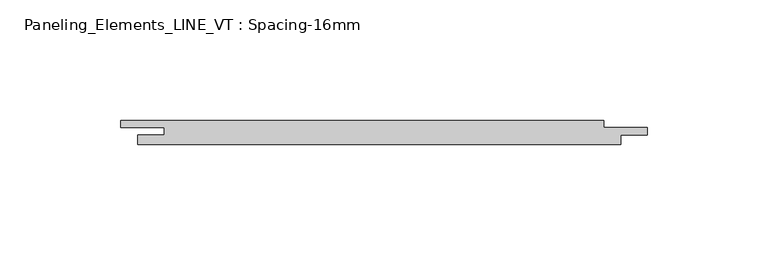
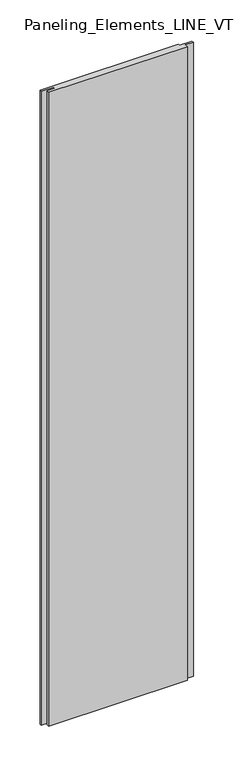
"""IFC4 building model written with IfcOpenShell, lengths in millimetres: plate geometry, Paneling_Elements_LINE_VT : Spacing-16mm."""

import ifcopenshell
import ifcopenshell.guid

model = None  # the IFC model being written
_history = None  # IfcOwnerHistory: only IFC2X3 demands one
_inside = {}  # id of a spatial element -> (the spatial element, [elements in it])
_under = {}  # id of a project, library or spatial element -> (it, [spatial elements below it])
_declared = {}  # id of a project -> (the project, [libraries it declares])
_typed = {}  # id of a type object -> (the type object, [elements of that type])
_made_of = {}  # id of a material, layer set ... -> (it, [elements and type objects made of it])


def new_model(schema):
    """Start an empty IFC model of exactly this schema.

    Asked for "IFC4X3", IfcOpenShell would pick the latest addendum, in which some entities
    have other attributes; the version numbers below select the first issue.
    IFC2X3 requires an IfcOwnerHistory on every rooted entity: one is made here for all.
    """
    global model, _history
    if schema == "IFC4X3":
        model = ifcopenshell.file(schema_version=(4, 3, 0, 0))
    else:
        model = ifcopenshell.file(schema=schema)
    _inside.clear()
    _under.clear()
    _declared.clear()
    _typed.clear()
    _made_of.clear()
    _history = None
    if model.schema == "IFC2X3":
        org = make("IfcOrganization", Name="unknown")
        user = make(
            "IfcPersonAndOrganization",
            ThePerson=make("IfcPerson", FamilyName="unknown"),
            TheOrganization=org,
        )
        app = make(
            "IfcApplication",
            ApplicationDeveloper=org,
            Version="unknown",
            ApplicationFullName="unknown",
            ApplicationIdentifier="unknown",
        )
        _history = make(
            "IfcOwnerHistory",
            OwningUser=user,
            OwningApplication=app,
            ChangeAction="ADDED",
            CreationDate=0,
        )
    return model


def make(cls, **values):
    """One entity of the class cls with the attributes given. An attribute that is None is left unset."""
    return model.create_entity(
        cls, **{name: value for name, value in values.items() if value is not None}
    )


def rooted(cls, **values):
    """An entity with a GlobalId (a new one), such as an element, a storey or a relation."""
    return make(cls, GlobalId=ifcopenshell.guid.new(), OwnerHistory=_history, **values)


def si_unit(unit_type, name, prefix=None):
    """IfcSIUnit, for example si_unit("LENGTHUNIT", "METRE", prefix="MILLI")."""
    return make("IfcSIUnit", UnitType=unit_type, Prefix=prefix, Name=name)


def assignment(units):
    """IfcUnitAssignment: the units of a project."""
    return None if units is None else make("IfcUnitAssignment", Units=units)


def point(xyz):
    """IfcCartesianPoint."""
    return None if xyz is None else make("IfcCartesianPoint", Coordinates=xyz)


def direction(xyz):
    """IfcDirection."""
    return None if xyz is None else make("IfcDirection", DirectionRatios=xyz)


def frame(location, z_axis=None, x_axis=None):
    """IfcAxis2Placement3D, a coordinate frame: its origin and axes. An axis left out is left unset."""
    return make(
        "IfcAxis2Placement3D",
        Location=point(location),
        Axis=direction(z_axis),
        RefDirection=direction(x_axis),
    )


def origin():
    """The frame at (0, 0, 0) with its axes left unset."""
    return frame((0.0, 0.0, 0.0))


def origin_with_axes():
    """The frame at (0, 0, 0) with the z axis (0, 0, 1) and the x axis (1, 0, 0) written out."""
    return frame((0.0, 0.0, 0.0), z_axis=(0.0, 0.0, 1.0), x_axis=(1.0, 0.0, 0.0))


def place(relative_to, where):
    """IfcLocalPlacement: puts the frame where relative to a parent placement (None: the world)."""
    return make(
        "IfcLocalPlacement", PlacementRelTo=relative_to, RelativePlacement=where
    )


def context(
    kind, dimensions, precision=None, world=None, true_north=None, identifier=None
):
    """IfcGeometricRepresentationContext, for example the 3D "Model" context."""
    return make(
        "IfcGeometricRepresentationContext",
        ContextIdentifier=identifier,
        ContextType=kind,
        CoordinateSpaceDimension=dimensions,
        Precision=precision,
        WorldCoordinateSystem=world,
        TrueNorth=true_north,
    )


def project(units=None, contexts=None):
    """IfcProject with its units and contexts."""
    return rooted(
        "IfcProject",
        Name="project",
        RepresentationContexts=contexts,
        UnitsInContext=assignment(units),
    )


def spatial(cls, under=None, at=None, **own):
    """A site, building, storey or space (cls), placed at a placement, below another one or the project."""
    s = rooted(cls, ObjectPlacement=at, **own)
    if under is not None:
        _under.setdefault(under.id(), (under, []))[1].append(s)
    return s


def polyline(points):
    """IfcPolyline through the points."""
    return make("IfcPolyline", Points=[point(p) for p in points])


def outline(outer, holes=None, kind="AREA"):
    """IfcArbitraryClosedProfileDef: a profile drawn as a closed curve; with holes, ...WithVoids."""
    if holes is None:
        return make("IfcArbitraryClosedProfileDef", ProfileType=kind, OuterCurve=outer)
    return make(
        "IfcArbitraryProfileDefWithVoids",
        ProfileType=kind,
        OuterCurve=outer,
        InnerCurves=holes,
    )


def extrude(swept, where, along, depth):
    """IfcExtrudedAreaSolid: the profile swept, set in the frame where, extruded along a direction by depth."""
    return make(
        "IfcExtrudedAreaSolid",
        SweptArea=swept,
        Position=where,
        ExtrudedDirection=direction(along),
        Depth=depth,
    )


def shape(context_of_items, identifier, shape_type, items):
    """IfcShapeRepresentation: the items that make up one representation, for example the "Body"."""
    return make(
        "IfcShapeRepresentation",
        ContextOfItems=context_of_items,
        RepresentationIdentifier=identifier,
        RepresentationType=shape_type,
        Items=items,
    )


def source(mapping_origin, context_of_items, identifier, shape_type, items):
    """IfcRepresentationMap: a shape defined once, which mapped items show again and again."""
    return make(
        "IfcRepresentationMap",
        MappingOrigin=mapping_origin,
        MappedRepresentation=shape(context_of_items, identifier, shape_type, items),
    )


def transform(
    local_origin,
    x_axis=None,
    y_axis=None,
    z_axis=None,
    scale=None,
    scale2=None,
    scale3=None,
    uniform=True,
):
    """IfcCartesianTransformationOperator3D, or its non-uniform kind. x_axis, y_axis, z_axis: its Axis1, 2, 3."""
    if uniform:
        return make(
            "IfcCartesianTransformationOperator3D",
            Axis1=direction(x_axis),
            Axis2=direction(y_axis),
            LocalOrigin=point(local_origin),
            Scale=scale,
            Axis3=direction(z_axis),
        )
    return make(
        "IfcCartesianTransformationOperator3DnonUniform",
        Axis1=direction(x_axis),
        Axis2=direction(y_axis),
        LocalOrigin=point(local_origin),
        Scale=scale,
        Axis3=direction(z_axis),
        Scale2=scale2,
        Scale3=scale3,
    )


def mapped(mapping_source, mapping_target):
    """IfcMappedItem: shows the shape of a source again, moved by a transform."""
    return make(
        "IfcMappedItem", MappingSource=mapping_source, MappingTarget=mapping_target
    )


def made_of(thing, what):
    """Note that an element or type object is made of a material, layer set ...; save() writes the relation."""
    if what is not None:
        _made_of.setdefault(what.id(), (what, []))[1].append(thing)
    return thing


def element(
    cls,
    number,
    at=None,
    inside=None,
    cuts=None,
    type_object=None,
    material=None,
    context=None,
    identifier="Body",
    shape_type=None,
    held_by="IfcProductDefinitionShape",
    body=None,
    shapes=None,
    **own,
):
    """One element of the class cls, such as IfcWall. Its Tag is "e" and its number.

    at: its placement. inside: the storey or other place that contains it. cuts: it is an
    opening in that element (IfcRelVoidsElement). A single representation is given by context,
    identifier, shape_type and body (its items); several are given by shapes. held_by: the class
    of the entity that holds the representations. save() writes the other relations.
    """
    e = rooted(cls, Tag="e%d" % number, ObjectPlacement=at, **own)
    if body is not None:
        shapes = [shape(context, identifier, shape_type, body)]
    if shapes is not None:
        e.Representation = make(held_by, Representations=shapes)
    if inside is not None:
        _inside.setdefault(inside.id(), (inside, []))[1].append(e)
    if cuts is not None:
        rooted(
            "IfcRelVoidsElement", RelatingBuildingElement=cuts, RelatedOpeningElement=e
        )
    if type_object is not None:
        _typed.setdefault(type_object.id(), (type_object, []))[1].append(e)
    return made_of(e, material)


def aggregate(whole, parts):
    """IfcRelAggregates: a whole, such as a stair, and the parts it consists of."""
    return rooted("IfcRelAggregates", RelatingObject=whole, RelatedObjects=parts)


def save(model, path):
    """Write the relations noted so far, then the file.

    IfcRelAggregates (storeys below a building ...), IfcRelContainedInSpatialStructure (elements
    in a storey), IfcRelDefinesByType, IfcRelAssociatesMaterial and IfcRelDeclares: one each for
    every whole, place, type object, material and project.
    """
    for whole, parts in _under.values():
        aggregate(whole, parts)
    for where, things in _inside.values():
        rooted(
            "IfcRelContainedInSpatialStructure",
            RelatedElements=things,
            RelatingStructure=where,
        )
    for kind, things in _typed.values():
        rooted("IfcRelDefinesByType", RelatedObjects=things, RelatingType=kind)
    for what, things in _made_of.values():
        rooted("IfcRelAssociatesMaterial", RelatedObjects=things, RelatingMaterial=what)
    for by, libraries in _declared.values():
        rooted("IfcRelDeclares", RelatingContext=by, RelatedDefinitions=libraries)
    model.write(path)


def paneling_elements_line_vt_spacing_16mm_fd4f4c40(model_context):
    return source(origin(), model_context, "Body", "SweptSolid", [
        extrude(outline(polyline([(93.0, 5.0), (93.0, 2.0), (111.0, 2.0), (111.0, -1.0), (100.0, -1.0), (100.0, -5.0), (-100.0, -5.0), (-100.0, -1.0), (-89.0, -1.0), (-89.0, 2.0), (-107.0, 2.0), (-107.0, 5.0), (93.0, 5.0)])), origin_with_axes(), (0.0, 0.0, 1.0), 966.8),
    ])


if __name__ == "__main__":
    model = new_model("IFC4")
    model_context = context("Model", 3, world=origin())
    ifc_project = project(units=[si_unit("LENGTHUNIT", "METRE", prefix="MILLI")], contexts=[model_context])
    site = spatial("IfcSite", under=ifc_project)
    building = spatial("IfcBuilding", under=site)
    placement = place(None, origin())
    paneling_elements_line_vt_spacing_16mm_shape = paneling_elements_line_vt_spacing_16mm_fd4f4c40(model_context)
    element("IfcPlate", 1, ObjectType="Paneling_Elements_LINE_VT : Spacing-16mm", at=placement, inside=building, context=model_context, shape_type="MappedRepresentation", body=[
        mapped(paneling_elements_line_vt_spacing_16mm_shape, transform((0.0, 0.0, 0.0), x_axis=(1.0, 0.0, 0.0), y_axis=(0.0, 1.0, 0.0), z_axis=(0.0, 0.0, 1.0))),
    ])
    save(model, "model.ifc")
